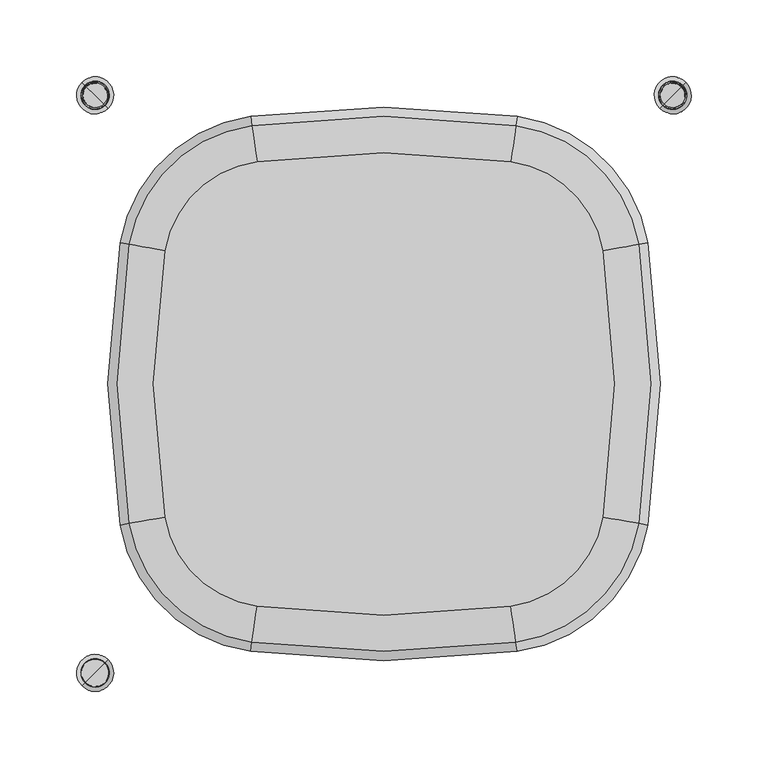
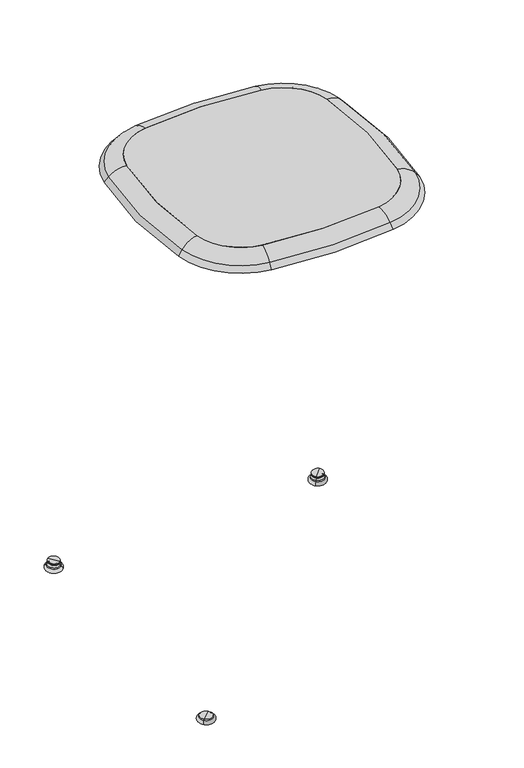
"""IFC4 building model written with IfcOpenShell, lengths in millimetres: furniture geometry."""

from ifc_helpers import new_model, si_unit, point, frame, frame_2d, origin, place, context, project, spatial, polyline, circle_curve, ellipse_curve, trimmed, segment, composite_curve, outline, extrude, source, transform, mapped, element, save
from ifc_brep_helpers import plane_surface, revolved_surface, advanced_brep


def furniture_c217ca91(model_context):
    return source(origin(), model_context, "Body", "SolidModel", [
        extrude(outline(composite_curve([segment(trimmed(circle_curve(frame_2d((353.3275565, -0.0435039)), 503.5652092), [point((-142.6953317, -86.8721532))], [point((-142.6771399, 86.8890047))], False, "CARTESIAN"), True, "CONTINUOUS"), segment(trimmed(circle_curve(frame_2d((-72.7600594, 74.634953)), 70.9828144), [point((-142.6771399, 86.8890047))], [point((-82.7047195, 144.9176939))], False, "CARTESIAN"), True, "CONTINUOUS"), segment(trimmed(circle_curve(frame_2d((0.0, -439.5883921)), 590.3282436), [point((-82.7047195, 144.9176939))], [point((82.7047195, 144.9176939))], False, "CARTESIAN"), True, "CONTINUOUS"), segment(trimmed(circle_curve(frame_2d((72.7600594, 74.634953)), 70.9828144), [point((82.7047195, 144.9176939))], [point((142.6771399, 86.8890047))], False, "CARTESIAN"), True, "CONTINUOUS"), segment(trimmed(circle_curve(frame_2d((-353.3275565, -0.0435039)), 503.5652092), [point((142.6771399, 86.8890047))], [point((142.6953317, -86.8721532))], False, "CARTESIAN"), True, "CONTINUOUS"), segment(trimmed(circle_curve(frame_2d((72.7756868, -74.6327416)), 70.9828144), [point((142.6953317, -86.8721532))], [point((82.7224829, -144.9151802))], False, "CARTESIAN"), True, "CONTINUOUS"), segment(trimmed(circle_curve(frame_2d((0.0, 439.5883921)), 590.3282436), [point((82.7224829, -144.9151802))], [point((-82.7224829, -144.9151802))], False, "CARTESIAN"), True, "CONTINUOUS"), segment(trimmed(circle_curve(frame_2d((-72.7756868, -74.6327416)), 70.9828144), [point((-82.7224829, -144.9151802))], [point((-142.6953317, -86.8721532))], False, "CARTESIAN"), True, "CONTINUOUS")], self_intersect=False)), frame((0.0, 0.0, 647.1154427), z_axis=(0.0, 0.0, 1.0), x_axis=(1.0, 0.0, 0.0)), (0.0, 0.0, 1.0), 5.8841883),
        advanced_brep(
        [(85.4325357, -164.0639719, 638.8734136), (161.7452784, -90.2068404, 638.8734136), (167.1707246, -91.156563, 631.5582527), (86.2043618, -169.5175693, 631.5582527), (83.1171785, -147.7040352, 647.1154427), (145.4697907, -87.3578214, 647.1154427), (82.7224829, -144.9151802, 652.999631), (142.6953317, -86.8721532, 652.999631), (142.6953317, -86.8721532, 647.1154427), (82.7224829, -144.9151802, 647.1154427), (86.0421482, -168.3713942, 642.0930748), (166.0304661, -90.9569611, 642.0930748), (86.8928479, -174.3822992, 634.9997578), (172.0103431, -92.0037367, 634.9997578), (-85.4325357, -164.0639719, 638.8734136), (-86.2043618, -169.5175693, 631.5582527), (-83.1171785, -147.7040352, 647.1154427), (-82.7224829, -144.9151802, 652.999631), (-82.7224829, -144.9151802, 647.1154427), (-86.0421482, -168.3713942, 642.0930748), (-86.8928479, -174.3822992, 634.9997578), (-161.7452784, -90.2068404, 638.8734136), (-167.1707246, -91.156563, 631.5582527), (-145.4697907, -87.3578214, 647.1154427), (-142.6953317, -86.8721532, 652.999631), (-142.6953317, -86.8721532, 647.1154427), (-166.0304661, -90.9569611, 642.0930748), (-172.0103431, -92.0037367, 634.9997578), (-161.726388, 90.2276806, 638.8734136), (-167.1516353, 91.1785393, 631.5582527), (-145.4514972, 87.3752538, 647.1154427), (-142.6771399, 86.8890047, 652.999631), (-142.6771399, 86.8890047, 647.1154427), (-166.0114185, 90.9786986, 642.0930748), (-171.9910763, 92.0267263, 634.9997578), (-85.4141905, 164.0665679, 638.8734136), (-86.1858508, 169.5201888, 631.5582527), (-83.0993304, 147.7065609, 647.1154427), (-82.7047195, 144.9176939, 652.999631), (-82.7047195, 144.9176939, 647.1154427), (-86.023672, 168.3740088, 642.0930748), (-86.874189, 174.3849396, 634.9997578), (85.4141905, 164.0665679, 638.8734136), (86.1858508, 169.5201888, 631.5582527), (83.0993304, 147.7065609, 647.1154427), (82.7047195, 144.9176939, 652.999631), (82.7047195, 144.9176939, 647.1154427), (86.023672, 168.3740088, 642.0930748), (86.874189, 174.3849396, 634.9997578), (161.726388, 90.2276806, 638.8734136), (167.1516353, 91.1785393, 631.5582527), (145.4514972, 87.3752538, 647.1154427), (142.6771399, 86.8890047, 652.999631), (142.6771399, 86.8890047, 647.1154427), (166.0114185, 90.9786986, 642.0930748), (171.9910763, 92.0267263, 634.9997578)],
        [
            (0, 1, circle_curve(frame((72.7756868, -74.6327416, 638.8734136), z_axis=(0.0, 0.0, 1.0), x_axis=(0.985022156183748, -0.17242781628008863, 0.0)), 90.3224268)),
            (1, 2),
            (2, 3, circle_curve(frame((72.7756868, -74.6327416, 631.5582527), z_axis=(0.0, 0.0, -1.0), x_axis=(0.985022156183748, -0.17242781628008863, 0.0)), 95.8303701)),
            (3, 0),
            (4, 5, circle_curve(frame((72.7756868, -74.6327416, 647.1154427), z_axis=(0.0, 0.0, 1.0), x_axis=(0.985022156183748, -0.17242781628008863, 0.0)), 73.7994607)),
            (5, 1, circle_curve(frame((145.4697907, -87.3578214, 626.4324622), z_axis=(0.17242781628008855, 0.985022156183748, 0.0), x_axis=(0.985022156183748, -0.17242781628008855, 0.0)), 20.6829804)),
            (0, 4, circle_curve(frame((83.1171785, -147.7040352, 626.4324622), z_axis=(-0.9901331651155545, -0.14012963761550995, 0.0), x_axis=(0.14012963761550995, -0.9901331651155545, 0.0)), 20.6829804)),
            (6, 7, circle_curve(frame((72.7756868, -74.6327416, 652.999631), z_axis=(0.0, 0.0, 1.0), x_axis=(0.985022156183748, -0.17242781628008863, 0.0)), 70.9828144)),
            (7, 8),
            (8, 9, circle_curve(frame((72.7756868, -74.6327416, 647.1154427), z_axis=(0.0, 0.0, -1.0), x_axis=(0.985022156183748, -0.17242781628008863, 0.0)), 70.9828144)),
            (9, 6),
            (10, 11, circle_curve(frame((72.7756868, -74.6327416, 642.0930748), z_axis=(0.0, 0.0, 1.0), x_axis=(0.985022156183748, -0.17242781628008863, 0.0)), 94.6727733)),
            (11, 7, circle_curve(frame((142.6953317, -86.8721532, 621.8180595), z_axis=(-0.17242781628008855, -0.985022156183748, 0.0), x_axis=(0.985022156183748, -0.17242781628008855, 0.0)), 31.1815715)),
            (6, 10, circle_curve(frame((82.7224829, -144.9151802, 621.8180595), z_axis=(0.9901331651155545, 0.14012963761551017, 0.0), x_axis=(0.14012963761551017, -0.9901331651155545, 0.0)), 31.1815715)),
            (12, 13, circle_curve(frame((72.7756868, -74.6327416, 634.9997578), z_axis=(0.0, 0.0, 1.0), x_axis=(0.985022156183748, -0.17242781628008863, 0.0)), 100.7435779)),
            (13, 11),
            (10, 12),
            (2, 13),
            (12, 3),
            (14, 0, circle_curve(frame((0.0, 439.5883921, 638.8734136), z_axis=(0.0, 0.0, 1.0), x_axis=(0.1401296376155091, -0.9901331651155546, 0.0)), 609.6678561)),
            (3, 15, circle_curve(frame((0.0, 439.5883921, 631.5582527), z_axis=(0.0, 0.0, -1.0), x_axis=(0.1401296376155091, -0.9901331651155546, 0.0)), 615.1757994)),
            (15, 14),
            (16, 4, circle_curve(frame((0.0, 439.5883921, 647.1154427), z_axis=(0.0, 0.0, 1.0), x_axis=(0.1401296376155091, -0.9901331651155546, 0.0)), 593.14489)),
            (14, 16, circle_curve(frame((-83.1171785, -147.7040352, 626.4324622), z_axis=(-0.9901331651155547, 0.14012963761550856, 0.0), x_axis=(-0.14012963761550856, -0.9901331651155547, 0.0)), 20.6829804)),
            (17, 6, circle_curve(frame((0.0, 439.5883921, 652.999631), z_axis=(0.0, 0.0, 1.0), x_axis=(0.1401296376155091, -0.9901331651155546, 0.0)), 590.3282436)),
            (9, 18, circle_curve(frame((0.0, 439.5883921, 647.1154427), z_axis=(0.0, 0.0, -1.0), x_axis=(0.1401296376155091, -0.9901331651155546, 0.0)), 590.3282436)),
            (18, 17),
            (19, 10, circle_curve(frame((0.0, 439.5883921, 642.0930748), z_axis=(0.0, 0.0, 1.0), x_axis=(0.1401296376155091, -0.9901331651155546, 0.0)), 614.0182026)),
            (17, 19, circle_curve(frame((-82.7224829, -144.9151802, 621.8180595), z_axis=(0.9901331651155549, -0.14012963761550712, 0.0), x_axis=(-0.14012963761550712, -0.9901331651155549, 0.0)), 31.1815715)),
            (20, 12, circle_curve(frame((0.0, 439.5883921, 634.9997578), z_axis=(0.0, 0.0, 1.0), x_axis=(0.1401296376155091, -0.9901331651155546, 0.0)), 620.0890072)),
            (19, 20),
            (20, 15),
            (21, 14, circle_curve(frame((-72.7756868, -74.6327416, 638.8734136), z_axis=(0.0, 0.0, 1.0), x_axis=(-0.1401296376155538, -0.9901331651155483, 0.0)), 90.3224268)),
            (15, 22, circle_curve(frame((-72.7756868, -74.6327416, 631.5582527), z_axis=(0.0, 0.0, -1.0), x_axis=(-0.1401296376155538, -0.9901331651155483, 0.0)), 95.8303701)),
            (22, 21),
            (23, 16, circle_curve(frame((-72.7756868, -74.6327416, 647.1154427), z_axis=(0.0, 0.0, 1.0), x_axis=(-0.1401296376155538, -0.9901331651155483, 0.0)), 73.7994607)),
            (21, 23, circle_curve(frame((-145.4697907, -87.3578214, 626.4324622), z_axis=(-0.17242781628013448, 0.98502215618374, 0.0), x_axis=(-0.98502215618374, -0.17242781628013448, 0.0)), 20.6829804)),
            (24, 17, circle_curve(frame((-72.7756868, -74.6327416, 652.999631), z_axis=(0.0, 0.0, 1.0), x_axis=(-0.1401296376155538, -0.9901331651155483, 0.0)), 70.9828144)),
            (18, 25, circle_curve(frame((-72.7756868, -74.6327416, 647.1154427), z_axis=(0.0, 0.0, -1.0), x_axis=(-0.1401296376155538, -0.9901331651155483, 0.0)), 70.9828144)),
            (25, 24),
            (26, 19, circle_curve(frame((-72.7756868, -74.6327416, 642.0930748), z_axis=(0.0, 0.0, 1.0), x_axis=(-0.1401296376155538, -0.9901331651155483, 0.0)), 94.6727733)),
            (24, 26, circle_curve(frame((-142.6953317, -86.8721532, 621.8180595), z_axis=(0.17242781628013448, -0.98502215618374, 0.0), x_axis=(-0.98502215618374, -0.17242781628013448, 0.0)), 31.1815715)),
            (27, 20, circle_curve(frame((-72.7756868, -74.6327416, 634.9997578), z_axis=(0.0, 0.0, 1.0), x_axis=(-0.1401296376155538, -0.9901331651155483, 0.0)), 100.7435779)),
            (26, 27),
            (27, 22),
            (28, 21, circle_curve(frame((353.3275565, -0.0435039, 638.8734136), z_axis=(0.0, 0.0, 1.0), x_axis=(-0.9850221561837403, -0.1724278162801325, 0.0)), 522.9048216)),
            (22, 29, circle_curve(frame((353.3275565, -0.0435039, 631.5582527), z_axis=(0.0, 0.0, -1.0), x_axis=(-0.9850221561837403, -0.1724278162801325, 0.0)), 528.412765)),
            (29, 28),
            (30, 23, circle_curve(frame((353.3275565, -0.0435039, 647.1154427), z_axis=(0.0, 0.0, 1.0), x_axis=(-0.9850221561837403, -0.1724278162801325, 0.0)), 506.3818555)),
            (28, 30, circle_curve(frame((-145.4514972, 87.3752538, 626.4324622), z_axis=(0.1726340640499757, 0.9849860303220492, 0.0), x_axis=(-0.9849860303220492, 0.1726340640499757, 0.0)), 20.6829804)),
            (31, 24, circle_curve(frame((353.3275565, -0.0435039, 652.999631), z_axis=(0.0, 0.0, 1.0), x_axis=(-0.9850221561837403, -0.1724278162801325, 0.0)), 503.5652092)),
            (25, 32, circle_curve(frame((353.3275565, -0.0435039, 647.1154427), z_axis=(0.0, 0.0, -1.0), x_axis=(-0.9850221561837403, -0.1724278162801325, 0.0)), 503.5652092)),
            (32, 31),
            (33, 26, circle_curve(frame((353.3275565, -0.0435039, 642.0930748), z_axis=(0.0, 0.0, 1.0), x_axis=(-0.9850221561837403, -0.1724278162801325, 0.0)), 527.2551681)),
            (31, 33, circle_curve(frame((-142.6771399, 86.8890047, 621.8180595), z_axis=(-0.17263406404997444, -0.9849860303220495, 0.0), x_axis=(-0.9849860303220495, 0.17263406404997444, 0.0)), 31.1815715)),
            (34, 27, circle_curve(frame((353.3275565, -0.0435039, 634.9997578), z_axis=(0.0, 0.0, 1.0), x_axis=(-0.9850221561837403, -0.1724278162801325, 0.0)), 533.3259727)),
            (33, 34),
            (34, 29),
            (35, 28, circle_curve(frame((-72.7600594, 74.634953, 638.8734136), z_axis=(0.0, 0.0, 1.0), x_axis=(-0.9849860303220431, 0.17263406405001044, 0.0)), 90.3224268)),
            (29, 36, circle_curve(frame((-72.7600594, 74.634953, 631.5582527), z_axis=(0.0, 0.0, -1.0), x_axis=(-0.9849860303220431, 0.17263406405001044, 0.0)), 95.8303701)),
            (36, 35),
            (37, 30, circle_curve(frame((-72.7600594, 74.634953, 647.1154427), z_axis=(0.0, 0.0, 1.0), x_axis=(-0.9849860303220431, 0.17263406405001044, 0.0)), 73.7994607)),
            (35, 37, circle_curve(frame((-83.0993304, 147.7065609, 626.4324622), z_axis=(0.9901374232519373, 0.140099547022872, 0.0), x_axis=(-0.140099547022872, 0.9901374232519373, 0.0)), 20.6829804)),
            (38, 31, circle_curve(frame((-72.7600594, 74.634953, 652.999631), z_axis=(0.0, 0.0, 1.0), x_axis=(-0.9849860303220431, 0.17263406405001044, 0.0)), 70.9828144)),
            (32, 39, circle_curve(frame((-72.7600594, 74.634953, 647.1154427), z_axis=(0.0, 0.0, -1.0), x_axis=(-0.9849860303220431, 0.17263406405001044, 0.0)), 70.9828144)),
            (39, 38),
            (40, 33, circle_curve(frame((-72.7600594, 74.634953, 642.0930748), z_axis=(0.0, 0.0, 1.0), x_axis=(-0.9849860303220431, 0.17263406405001044, 0.0)), 94.6727733)),
            (38, 40, circle_curve(frame((-82.7047195, 144.9176939, 621.8180595), z_axis=(-0.9901374232519361, -0.14009954702288083, 0.0), x_axis=(-0.14009954702288083, 0.9901374232519361, 0.0)), 31.1815715)),
            (41, 34, circle_curve(frame((-72.7600594, 74.634953, 634.9997578), z_axis=(0.0, 0.0, 1.0), x_axis=(-0.9849860303220431, 0.17263406405001044, 0.0)), 100.7435779)),
            (40, 41),
            (41, 36),
            (42, 35, circle_curve(frame((0.0, -439.5883921, 638.8734136), z_axis=(0.0, 0.0, 1.0), x_axis=(-0.1400995470228407, 0.9901374232519418, 0.0)), 609.6678561)),
            (36, 43, circle_curve(frame((0.0, -439.5883921, 631.5582527), z_axis=(0.0, 0.0, -1.0), x_axis=(-0.1400995470228407, 0.9901374232519418, 0.0)), 615.1757994)),
            (43, 42),
            (44, 37, circle_curve(frame((0.0, -439.5883921, 647.1154427), z_axis=(0.0, 0.0, 1.0), x_axis=(-0.1400995470228407, 0.9901374232519418, 0.0)), 593.14489)),
            (42, 44, circle_curve(frame((83.0993304, 147.7065609, 626.4324622), z_axis=(0.9901374232519425, -0.14009954702283575, 0.0), x_axis=(0.14009954702283575, 0.9901374232519425, 0.0)), 20.6829804)),
            (45, 38, circle_curve(frame((0.0, -439.5883921, 652.999631), z_axis=(0.0, 0.0, 1.0), x_axis=(-0.1400995470228407, 0.9901374232519418, 0.0)), 590.3282436)),
            (39, 46, circle_curve(frame((0.0, -439.5883921, 647.1154427), z_axis=(0.0, 0.0, -1.0), x_axis=(-0.1400995470228407, 0.9901374232519418, 0.0)), 590.3282436)),
            (46, 45),
            (47, 40, circle_curve(frame((0.0, -439.5883921, 642.0930748), z_axis=(0.0, 0.0, 1.0), x_axis=(-0.1400995470228407, 0.9901374232519418, 0.0)), 614.0182026)),
            (45, 47, circle_curve(frame((82.7047195, 144.9176939, 621.8180595), z_axis=(-0.9901374232519422, 0.14009954702283728, 0.0), x_axis=(0.14009954702283728, 0.9901374232519422, 0.0)), 31.1815715)),
            (48, 41, circle_curve(frame((0.0, -439.5883921, 634.9997578), z_axis=(0.0, 0.0, 1.0), x_axis=(-0.1400995470228407, 0.9901374232519418, 0.0)), 620.0890072)),
            (47, 48),
            (48, 43),
            (49, 42, circle_curve(frame((72.7600594, 74.634953, 638.8734136), z_axis=(0.0, 0.0, 1.0), x_axis=(0.14009954702279018, 0.9901374232519489, 0.0)), 90.3224268)),
            (43, 50, circle_curve(frame((72.7600594, 74.634953, 631.5582527), z_axis=(0.0, 0.0, -1.0), x_axis=(0.14009954702279018, 0.9901374232519489, 0.0)), 95.8303701)),
            (50, 49),
            (51, 44, circle_curve(frame((72.7600594, 74.634953, 647.1154427), z_axis=(0.0, 0.0, 1.0), x_axis=(0.14009954702279018, 0.9901374232519489, 0.0)), 73.7994607)),
            (49, 51, circle_curve(frame((145.4514972, 87.3752538, 626.4324622), z_axis=(0.17263406405000226, -0.9849860303220446, 0.0), x_axis=(0.9849860303220446, 0.17263406405000226, 0.0)), 20.6829804)),
            (52, 45, circle_curve(frame((72.7600594, 74.634953, 652.999631), z_axis=(0.0, 0.0, 1.0), x_axis=(0.14009954702279018, 0.9901374232519489, 0.0)), 70.9828144)),
            (46, 53, circle_curve(frame((72.7600594, 74.634953, 647.1154427), z_axis=(0.0, 0.0, -1.0), x_axis=(0.14009954702279018, 0.9901374232519489, 0.0)), 70.9828144)),
            (53, 52),
            (54, 47, circle_curve(frame((72.7600594, 74.634953, 642.0930748), z_axis=(0.0, 0.0, 1.0), x_axis=(0.14009954702279018, 0.9901374232519489, 0.0)), 94.6727733)),
            (52, 54, circle_curve(frame((142.6771399, 86.8890047, 621.8180595), z_axis=(-0.1726340640500103, 0.9849860303220431, 0.0), x_axis=(0.9849860303220431, 0.1726340640500103, 0.0)), 31.1815715)),
            (55, 48, circle_curve(frame((72.7600594, 74.634953, 634.9997578), z_axis=(0.0, 0.0, 1.0), x_axis=(0.14009954702279018, 0.9901374232519489, 0.0)), 100.7435779)),
            (54, 55),
            (55, 50),
            (1, 49, circle_curve(frame((-353.3275565, -0.0435039, 638.8734136), z_axis=(0.0, 0.0, 1.0), x_axis=(0.9849860303220497, 0.17263406404997306, 0.0)), 522.9048216)),
            (50, 2, circle_curve(frame((-353.3275565, -0.0435039, 631.5582527), z_axis=(0.0, 0.0, -1.0), x_axis=(0.9849860303220497, 0.17263406404997306, 0.0)), 528.412765)),
            (5, 51, circle_curve(frame((-353.3275565, -0.0435039, 647.1154427), z_axis=(0.0, 0.0, 1.0), x_axis=(0.9849860303220497, 0.17263406404997306, 0.0)), 506.3818555)),
            (8, 53, circle_curve(frame((-353.3275565, -0.0435039, 647.1154427), z_axis=(0.0, 0.0, 1.0), x_axis=(0.9849860303220497, 0.17263406404997306, 0.0)), 503.5652092)),
            (7, 52, circle_curve(frame((-353.3275565, -0.0435039, 652.999631), z_axis=(0.0, 0.0, 1.0), x_axis=(0.9849860303220497, 0.17263406404997306, 0.0)), 503.5652092)),
            (11, 54, circle_curve(frame((-353.3275565, -0.0435039, 642.0930748), z_axis=(0.0, 0.0, 1.0), x_axis=(0.9849860303220497, 0.17263406404997306, 0.0)), 527.2551681)),
            (13, 55, circle_curve(frame((-353.3275565, -0.0435039, 634.9997578), z_axis=(0.0, 0.0, 1.0), x_axis=(0.9849860303220497, 0.17263406404997306, 0.0)), 533.3259727)),
        ],
        [
            revolved_surface(polyline([(167.1707246, -91.156563, 631.5582527), (161.7452784, -90.2068404, 638.8734136)]), (72.7756868, -74.6327416, 634.9997578), (0.0, 0.0, -1.0)),
            revolved_surface(trimmed(ellipse_curve(frame((145.4697907, -87.3578214, 626.4324622), z_axis=(-0.17242781628008855, -0.985022156183748, 0.0), x_axis=(0.985022156183748, -0.17242781628008855, 0.0)), 20.6829804, 20.6829804), [point((161.7452784, -90.2068404, 638.8734136))], [point((145.4697907, -87.3578214, 647.1154427))], True, "CARTESIAN"), (72.7756868, -74.6327416, 634.9997578), (0.0, 0.0, -1.0)),
            revolved_surface(polyline([(142.69533169227878, -86.87215328040683, 647.1154427), (142.69533169227878, -86.87215328040683, 652.999631)]), (72.7756868, -74.6327416, 634.9997578), (0.0, 0.0, -1.0)),
            revolved_surface(trimmed(ellipse_curve(frame((142.6953317, -86.8721532, 621.8180595), z_axis=(0.17242781628008855, 0.985022156183748, 0.0), x_axis=(0.985022156183748, -0.17242781628008855, 0.0)), 31.1815715, 31.1815715), [point((142.6953317, -86.8721532, 652.999631))], [point((166.0304661, -90.9569611, 642.0930748))], True, "CARTESIAN"), (72.7756868, -74.6327416, 634.9997578), (0.0, 0.0, -1.0)),
            revolved_surface(polyline([(166.0304661, -90.9569611, 642.0930748), (172.0103431, -92.0037367, 634.9997578)]), (72.7756868, -74.6327416, 634.9997578), (0.0, 0.0, -1.0)),
            revolved_surface(polyline([(172.0103431, -92.0037367, 634.9997578), (167.1707246, -91.156563, 631.5582527)]), (72.7756868, -74.6327416, 634.9997578), (0.0, 0.0, -1.0)),
            revolved_surface(polyline([(86.2043618, -169.5175693, 631.5582527), (85.4325357, -164.0639719, 638.8734136)]), (0.0, 439.5883921, 634.9997578), (0.0, 0.0, -1.0)),
            revolved_surface(trimmed(ellipse_curve(frame((83.1171785, -147.7040352, 626.4324622), z_axis=(-0.9901331651155546, -0.14012963761550912, 0.0), x_axis=(0.14012963761550912, -0.9901331651155546, 0.0)), 20.6829804, 20.6829804), [point((85.4325357, -164.0639719, 638.8734136))], [point((83.1171785, -147.7040352, 647.1154427))], True, "CARTESIAN"), (0.0, 439.5883921, 634.9997578), (0.0, 0.0, -1.0)),
            revolved_surface(polyline([(82.72248284986797, -144.91518019277402, 647.1154427), (82.72248284986797, -144.91518019277402, 652.999631)]), (0.0, 439.5883921, 634.9997578), (0.0, 0.0, -1.0)),
            revolved_surface(trimmed(ellipse_curve(frame((82.7224829, -144.9151802, 621.8180595), z_axis=(0.9901331651155546, 0.14012963761550912, 0.0), x_axis=(0.14012963761550912, -0.9901331651155546, 0.0)), 31.1815715, 31.1815715), [point((82.7224829, -144.9151802, 652.999631))], [point((86.0421482, -168.3713942, 642.0930748))], True, "CARTESIAN"), (0.0, 439.5883921, 634.9997578), (0.0, 0.0, -1.0)),
            revolved_surface(polyline([(86.0421482, -168.3713942, 642.0930748), (86.8928479, -174.3822992, 634.9997578)]), (0.0, 439.5883921, 634.9997578), (0.0, 0.0, -1.0)),
            revolved_surface(polyline([(86.8928479, -174.3822992, 634.9997578), (86.2043618, -169.5175693, 631.5582527)]), (0.0, 439.5883921, 634.9997578), (0.0, 0.0, -1.0)),
            revolved_surface(polyline([(-86.2043618, -169.5175693, 631.5582527), (-85.4325357, -164.0639719, 638.8734136)]), (-72.7756868, -74.6327416, 634.9997578), (0.0, 0.0, -1.0)),
            revolved_surface(trimmed(ellipse_curve(frame((-83.1171785, -147.7040352, 626.4324622), z_axis=(-0.9901331651155483, 0.14012963761555372, 0.0), x_axis=(-0.14012963761555372, -0.9901331651155483, 0.0)), 20.6829804, 20.6829804), [point((-85.4325357, -164.0639719, 638.8734136))], [point((-83.1171785, -147.7040352, 647.1154427))], True, "CARTESIAN"), (-72.7756868, -74.6327416, 634.9997578), (0.0, 0.0, -1.0)),
            revolved_surface(polyline([(-82.72248285880411, -144.91518029068152, 647.1154427), (-82.72248285880411, -144.91518029068152, 652.999631)]), (-72.7756868, -74.6327416, 634.9997578), (0.0, 0.0, -1.0)),
            revolved_surface(trimmed(ellipse_curve(frame((-82.7224829, -144.9151802, 621.8180595), z_axis=(0.9901331651155483, -0.14012963761555372, 0.0), x_axis=(-0.14012963761555372, -0.9901331651155483, 0.0)), 31.1815715, 31.1815715), [point((-82.7224829, -144.9151802, 652.999631))], [point((-86.0421482, -168.3713942, 642.0930748))], True, "CARTESIAN"), (-72.7756868, -74.6327416, 634.9997578), (0.0, 0.0, -1.0)),
            revolved_surface(polyline([(-86.0421482, -168.3713942, 642.0930748), (-86.8928479, -174.3822992, 634.9997578)]), (-72.7756868, -74.6327416, 634.9997578), (0.0, 0.0, -1.0)),
            revolved_surface(polyline([(-86.8928479, -174.3822992, 634.9997578), (-86.2043618, -169.5175693, 631.5582527)]), (-72.7756868, -74.6327416, 634.9997578), (0.0, 0.0, -1.0)),
            revolved_surface(polyline([(-167.1707246, -91.156563, 631.5582527), (-161.7452784, -90.2068404, 638.8734136)]), (353.3275565, -0.0435039, 634.9997578), (0.0, 0.0, -1.0)),
            revolved_surface(trimmed(ellipse_curve(frame((-145.4697907, -87.3578214, 626.4324622), z_axis=(-0.1724278162801326, 0.9850221561837403, 0.0), x_axis=(-0.9850221561837403, -0.1724278162801326, 0.0)), 20.6829804, 20.6829804), [point((-161.7452784, -90.2068404, 638.8734136))], [point((-145.4697907, -87.3578214, 647.1154427))], True, "CARTESIAN"), (353.3275565, -0.0435039, 634.9997578), (0.0, 0.0, -1.0)),
            revolved_surface(polyline([(-142.6953316453003, -86.8721532770041, 647.1154427), (-142.6953316453003, -86.8721532770041, 652.999631)]), (353.3275565, -0.0435039, 634.9997578), (0.0, 0.0, -1.0)),
            revolved_surface(trimmed(ellipse_curve(frame((-142.6953317, -86.8721532, 621.8180595), z_axis=(0.1724278162801326, -0.9850221561837403, 0.0), x_axis=(-0.9850221561837403, -0.1724278162801326, 0.0)), 31.1815715, 31.1815715), [point((-142.6953317, -86.8721532, 652.999631))], [point((-166.0304661, -90.9569611, 642.0930748))], True, "CARTESIAN"), (353.3275565, -0.0435039, 634.9997578), (0.0, 0.0, -1.0)),
            revolved_surface(polyline([(-166.0304661, -90.9569611, 642.0930748), (-172.0103431, -92.0037367, 634.9997578)]), (353.3275565, -0.0435039, 634.9997578), (0.0, 0.0, -1.0)),
            revolved_surface(polyline([(-172.0103431, -92.0037367, 634.9997578), (-167.1707246, -91.156563, 631.5582527)]), (353.3275565, -0.0435039, 634.9997578), (0.0, 0.0, -1.0)),
            revolved_surface(polyline([(-167.1516353, 91.1785393, 631.5582527), (-161.726388, 90.2276806, 638.8734136)]), (-72.7600594, 74.634953, 634.9997578), (0.0, 0.0, -1.0)),
            revolved_surface(trimmed(ellipse_curve(frame((-145.4514972, 87.3752538, 626.4324622), z_axis=(0.17263406405001036, 0.9849860303220431, 0.0), x_axis=(-0.9849860303220431, 0.17263406405001036, 0.0)), 20.6829804, 20.6829804), [point((-161.726388, 90.2276806, 638.8734136))], [point((-145.4514972, 87.3752538, 647.1154427))], True, "CARTESIAN"), (-72.7600594, 74.634953, 634.9997578), (0.0, 0.0, -1.0)),
            revolved_surface(polyline([(-142.67713997694236, 86.8890047275796, 647.1154427), (-142.67713997694236, 86.8890047275796, 652.999631)]), (-72.7600594, 74.634953, 634.9997578), (0.0, 0.0, -1.0)),
            revolved_surface(trimmed(ellipse_curve(frame((-142.6771399, 86.8890047, 621.8180595), z_axis=(-0.17263406405001036, -0.9849860303220431, 0.0), x_axis=(-0.9849860303220431, 0.17263406405001036, 0.0)), 31.1815715, 31.1815715), [point((-142.6771399, 86.8890047, 652.999631))], [point((-166.0114185, 90.9786986, 642.0930748))], True, "CARTESIAN"), (-72.7600594, 74.634953, 634.9997578), (0.0, 0.0, -1.0)),
            revolved_surface(polyline([(-166.0114185, 90.9786986, 642.0930748), (-171.9910763, 92.0267263, 634.9997578)]), (-72.7600594, 74.634953, 634.9997578), (0.0, 0.0, -1.0)),
            revolved_surface(polyline([(-171.9910763, 92.0267263, 634.9997578), (-167.1516353, 91.1785393, 631.5582527)]), (-72.7600594, 74.634953, 634.9997578), (0.0, 0.0, -1.0)),
            revolved_surface(polyline([(-86.1858508, 169.5201888, 631.5582527), (-85.4141905, 164.0665679, 638.8734136)]), (0.0, -439.5883921, 634.9997578), (0.0, 0.0, -1.0)),
            revolved_surface(trimmed(ellipse_curve(frame((-83.0993304, 147.7065609, 626.4324622), z_axis=(0.9901374232519418, 0.14009954702284072, 0.0), x_axis=(-0.14009954702284072, 0.9901374232519418, 0.0)), 20.6829804, 20.6829804), [point((-85.4141905, 164.0665679, 638.8734136))], [point((-83.0993304, 147.7065609, 647.1154427))], True, "CARTESIAN"), (0.0, -439.5883921, 634.9997578), (0.0, 0.0, -1.0)),
            revolved_surface(polyline([(-82.70471952314915, 144.91769389094856, 647.1154427), (-82.70471952314915, 144.91769389094856, 652.999631)]), (0.0, -439.5883921, 634.9997578), (0.0, 0.0, -1.0)),
            revolved_surface(trimmed(ellipse_curve(frame((-82.7047195, 144.9176939, 621.8180595), z_axis=(-0.9901374232519418, -0.14009954702284072, 0.0), x_axis=(-0.14009954702284072, 0.9901374232519418, 0.0)), 31.1815715, 31.1815715), [point((-82.7047195, 144.9176939, 652.999631))], [point((-86.023672, 168.3740088, 642.0930748))], True, "CARTESIAN"), (0.0, -439.5883921, 634.9997578), (0.0, 0.0, -1.0)),
            revolved_surface(polyline([(-86.023672, 168.3740088, 642.0930748), (-86.874189, 174.3849396, 634.9997578)]), (0.0, -439.5883921, 634.9997578), (0.0, 0.0, -1.0)),
            revolved_surface(polyline([(-86.874189, 174.3849396, 634.9997578), (-86.1858508, 169.5201888, 631.5582527)]), (0.0, -439.5883921, 634.9997578), (0.0, 0.0, -1.0)),
            revolved_surface(polyline([(86.1858508, 169.5201888, 631.5582527), (85.4141905, 164.0665679, 638.8734136)]), (72.7600594, 74.634953, 634.9997578), (0.0, 0.0, -1.0)),
            revolved_surface(trimmed(ellipse_curve(frame((83.0993304, 147.7065609, 626.4324622), z_axis=(0.9901374232519489, -0.1400995470227901, 0.0), x_axis=(0.1400995470227901, 0.9901374232519489, 0.0)), 20.6829804, 20.6829804), [point((85.4141905, 164.0665679, 638.8734136))], [point((83.0993304, 147.7065609, 647.1154427))], True, "CARTESIAN"), (72.7600594, 74.634953, 634.9997578), (0.0, 0.0, -1.0)),
            revolved_surface(polyline([(82.70471954384278, 144.91769394518732, 647.1154427), (82.70471954384278, 144.91769394518732, 652.999631)]), (72.7600594, 74.634953, 634.9997578), (0.0, 0.0, -1.0)),
            revolved_surface(trimmed(ellipse_curve(frame((82.7047195, 144.9176939, 621.8180595), z_axis=(-0.9901374232519489, 0.1400995470227901, 0.0), x_axis=(0.1400995470227901, 0.9901374232519489, 0.0)), 31.1815715, 31.1815715), [point((82.7047195, 144.9176939, 652.999631))], [point((86.023672, 168.3740088, 642.0930748))], True, "CARTESIAN"), (72.7600594, 74.634953, 634.9997578), (0.0, 0.0, -1.0)),
            revolved_surface(polyline([(86.023672, 168.3740088, 642.0930748), (86.874189, 174.3849396, 634.9997578)]), (72.7600594, 74.634953, 634.9997578), (0.0, 0.0, -1.0)),
            revolved_surface(polyline([(86.874189, 174.3849396, 634.9997578), (86.1858508, 169.5201888, 631.5582527)]), (72.7600594, 74.634953, 634.9997578), (0.0, 0.0, -1.0)),
            revolved_surface(polyline([(167.1516353, 91.1785393, 631.5582527), (161.726388, 90.2276806, 638.8734136)]), (-353.3275565, -0.0435039, 634.9997578), (0.0, 0.0, -1.0)),
            revolved_surface(trimmed(ellipse_curve(frame((145.4514972, 87.3752538, 626.4324622), z_axis=(0.17263406404997322, -0.9849860303220497, 0.0), x_axis=(0.9849860303220497, 0.17263406404997322, 0.0)), 20.6829804, 20.6829804), [point((161.726388, 90.2276806, 638.8734136))], [point((145.4514972, 87.3752538, 647.1154427))], True, "CARTESIAN"), (-353.3275565, -0.0435039, 634.9997578), (0.0, 0.0, -1.0)),
            plane_surface(frame((-353.3275565, -0.0435039, 647.1154427), z_axis=(0.0, 0.0, -1.0000000000000002), x_axis=(0.9849860303220498, 0.17263406404997308, 0.0))),
            revolved_surface(polyline([(142.6771399182005, 86.88900467837088, 647.1154427), (142.6771399182005, 86.88900467837088, 652.999631)]), (-353.3275565, -0.0435039, 634.9997578), (0.0, 0.0, -1.0)),
            revolved_surface(trimmed(ellipse_curve(frame((142.6771399, 86.8890047, 621.8180595), z_axis=(-0.17263406404997322, 0.9849860303220497, 0.0), x_axis=(0.9849860303220497, 0.17263406404997322, 0.0)), 31.1815715, 31.1815715), [point((142.6771399, 86.8890047, 652.999631))], [point((166.0114185, 90.9786986, 642.0930748))], True, "CARTESIAN"), (-353.3275565, -0.0435039, 634.9997578), (0.0, 0.0, -1.0)),
            revolved_surface(polyline([(166.0114185, 90.9786986, 642.0930748), (171.9910763, 92.0267263, 634.9997578)]), (-353.3275565, -0.0435039, 634.9997578), (0.0, 0.0, -1.0)),
            revolved_surface(polyline([(171.9910763, 92.0267263, 634.9997578), (167.1516353, 91.1785393, 631.5582527)]), (-353.3275565, -0.0435039, 634.9997578), (0.0, 0.0, -1.0)),
        ],
        [
            (0, [[1, 2, 3, 4]]),
            (1, [[5, 6, -1, 7]]),
            (2, [[8, 9, 10, 11]]),
            (3, [[12, 13, -8, 14]]),
            (4, [[15, 16, -12, 17]]),
            (5, [[-3, 18, -15, 19]]),
            (6, [[20, -4, 21, 22]]),
            (7, [[23, -7, -20, 24]]),
            (8, [[25, -11, 26, 27]]),
            (9, [[28, -14, -25, 29]]),
            (10, [[30, -17, -28, 31]]),
            (11, [[-21, -19, -30, 32]]),
            (12, [[33, -22, 34, 35]]),
            (13, [[36, -24, -33, 37]]),
            (14, [[38, -27, 39, 40]]),
            (15, [[41, -29, -38, 42]]),
            (16, [[43, -31, -41, 44]]),
            (17, [[-34, -32, -43, 45]]),
            (18, [[46, -35, 47, 48]]),
            (19, [[49, -37, -46, 50]]),
            (20, [[51, -40, 52, 53]]),
            (21, [[54, -42, -51, 55]]),
            (22, [[56, -44, -54, 57]]),
            (23, [[-47, -45, -56, 58]]),
            (24, [[59, -48, 60, 61]]),
            (25, [[62, -50, -59, 63]]),
            (26, [[64, -53, 65, 66]]),
            (27, [[67, -55, -64, 68]]),
            (28, [[69, -57, -67, 70]]),
            (29, [[-60, -58, -69, 71]]),
            (30, [[72, -61, 73, 74]]),
            (31, [[75, -63, -72, 76]]),
            (32, [[77, -66, 78, 79]]),
            (33, [[80, -68, -77, 81]]),
            (34, [[82, -70, -80, 83]]),
            (35, [[-73, -71, -82, 84]]),
            (36, [[85, -74, 86, 87]]),
            (37, [[88, -76, -85, 89]]),
            (38, [[90, -79, 91, 92]]),
            (39, [[93, -81, -90, 94]]),
            (40, [[95, -83, -93, 96]]),
            (41, [[-86, -84, -95, 97]]),
            (42, [[98, -87, 99, -2]]),
            (43, [[100, -89, -98, -6]]),
            (44, [[-75, -88, -100, -5, -23, -36, -49, -62], [101, -91, -78, -65, -52, -39, -26, -10]]),
            (45, [[102, -92, -101, -9]]),
            (46, [[103, -94, -102, -13]]),
            (47, [[104, -96, -103, -16]]),
            (48, [[-99, -97, -104, -18]]),
        ],
    ),
        advanced_brep(
        [(-181.7333944, 181.7333944, 5.5096764), (-194.8341476, 194.8341476, 5.5096764), (-194.6483237, 194.6483237, 7.0000593), (-181.9192183, 181.9192183, 7.0000593), (-181.7333944, 181.7333944, 0.0), (-194.8341476, 194.8341476, 0.0), (-188.283771, 188.283771, 0.0), (-188.283771, 188.283771, 7.0000593)],
        [
            (0, 1, circle_curve(frame((-188.283771, 188.283771, 5.5096764), z_axis=(0.0, 0.0, 1.0), x_axis=(-0.7071067811865459, 0.7071067811865491, 0.0)), 9.2636315)),
            (1, 2, circle_curve(frame((-198.5925934, 198.5925934, 7.2152579), z_axis=(-0.7071067811865491, -0.7071067811865459, 0.0), x_axis=(-0.7071067811865459, 0.7071067811865491, 0.0)), 5.5821893)),
            (2, 3, circle_curve(frame((-188.283771, 188.283771, 7.0000593), z_axis=(0.0, 0.0, -1.0), x_axis=(-0.7071067811865459, 0.7071067811865491, 0.0)), 9.0008368)),
            (3, 0, circle_curve(frame((-177.9749486, 177.9749486, 7.2152579), z_axis=(-0.7071067811865468, -0.7071067811865482, 0.0), x_axis=(0.7071067811865482, -0.7071067811865468, 0.0)), 5.5821893)),
            (1, 0, circle_curve(frame((-188.283771, 188.283771, 5.5096764), z_axis=(0.0, 0.0, 1.0), x_axis=(-0.7071067811865459, 0.7071067811865491, 0.0)), 9.2636315)),
            (3, 2, circle_curve(frame((-188.283771, 188.283771, 7.0000593), z_axis=(0.0, 0.0, -1.0), x_axis=(-0.7071067811865459, 0.7071067811865491, 0.0)), 9.0008368)),
            (4, 5, circle_curve(frame((-188.283771, 188.283771, 0.0), z_axis=(0.0, 0.0, 1.0), x_axis=(-0.7071067811865459, 0.7071067811865491, 0.0)), 9.2636315)),
            (5, 1, circle_curve(frame((-194.8341476, 194.8341476, 2.7548382), z_axis=(0.7071067811865491, 0.7071067811865459, 0.0), x_axis=(-0.7071067811865459, 0.7071067811865491, 0.0)), 2.7548382)),
            (0, 4, circle_curve(frame((-181.7333944, 181.7333944, 2.7548382), z_axis=(0.7071067811865468, 0.7071067811865482, 0.0), x_axis=(0.7071067811865482, -0.7071067811865468, 0.0)), 2.7548382)),
            (5, 4, circle_curve(frame((-188.283771, 188.283771, 0.0), z_axis=(0.0, 0.0, 1.0), x_axis=(-0.7071067811865459, 0.7071067811865491, 0.0)), 9.2636315)),
            (6, 5),
            (4, 6),
            (2, 7),
            (7, 3),
        ],
        [
            revolved_surface(trimmed(ellipse_curve(frame((-198.5925934, 198.5925934, 7.2152579), z_axis=(0.7071067811865491, 0.7071067811865459, 0.0), x_axis=(-0.7071067811865459, 0.7071067811865491, 0.0)), 5.5821893, 5.5821893), [point((-194.6483237, 194.6483237, 7.0000593))], [point((-194.8341476, 194.8341476, 5.5096764))], True, "CARTESIAN"), (-188.283771, 188.283771, 7.0000593), (0.0, 0.0, -1.0)),
            revolved_surface(trimmed(ellipse_curve(frame((-194.8341476, 194.8341476, 2.7548382), z_axis=(-0.7071067811865491, -0.7071067811865459, 0.0), x_axis=(-0.7071067811865459, 0.7071067811865491, 0.0)), 2.7548382, 2.7548382), [point((-194.8341476, 194.8341476, 5.5096764))], [point((-194.8341476, 194.8341476, 0.0))], True, "CARTESIAN"), (-188.283771, 188.283771, 7.0000593), (0.0, 0.0, -1.0)),
            plane_surface(frame((-188.283771, 188.283771, 0.0), z_axis=(0.0, 0.0, -1.0), x_axis=(-0.7071067811865459, 0.7071067811865491, 0.0))),
            plane_surface(frame((-188.283771, 188.283771, 7.0000593), z_axis=(0.0, 0.0, 1.0), x_axis=(-0.7071067811865459, 0.7071067811865491, 0.0))),
        ],
        [
            (0, [[1, 2, 3, 4]]),
            (0, [[5, -4, 6, -2]]),
            (1, [[7, 8, -1, 9]]),
            (1, [[10, -9, -5, -8]]),
            (2, [[11, -7, 12]]),
            (2, [[-12, -10, -11]]),
            (3, [[-3, 13, 14]]),
            (3, [[-6, -14, -13]]),
        ],
    ),
        advanced_brep(
        [(-182.6459771, 182.6459771, 12.3024835), (-193.9166972, 193.9166972, 13.6969833), (-188.2813372, 188.2813372, 12.9997334), (-182.7623958, 182.7623958, 11.0621139), (-193.9543495, 193.9543495, 12.4468681), (-182.8001218, 182.8001218, 9.81201), (-194.0706941, 194.0706941, 11.2064914), (-183.6447269, 183.6447269, 9.916511), (-193.2260889, 193.2260889, 11.1019904), (-188.7105644, 188.7105644, 6.0614743)],
        [
            (0, 1, circle_curve(frame((-188.2813372, 188.2813372, 12.9997334), z_axis=(0.06162841671622601, -0.06162841671622601, 0.9961946980917448), x_axis=(-0.7044160264027566, 0.7044160264027597, 0.08715574274766758)), 8.0000452)),
            (1, 2),
            (2, 0),
            (1, 0, circle_curve(frame((-188.2813372, 188.2813372, 12.9997334), z_axis=(0.06162841671622601, -0.06162841671622601, 0.9961946980917448), x_axis=(-0.7044160264027566, 0.7044160264027597, 0.08715574274766758)), 8.0000452)),
            (3, 4, circle_curve(frame((-188.3583726, 188.3583726, 11.754491), z_axis=(0.06162841671622601, -0.06162841671622601, 0.9961946980917448), x_axis=(-0.7044160264027566, 0.7044160264027597, 0.08715574274766758)), 7.9441362)),
            (4, 1),
            (0, 3),
            (4, 3, circle_curve(frame((-188.3583726, 188.3583726, 11.754491), z_axis=(0.06162841671622601, -0.06162841671622601, 0.9961946980917448), x_axis=(-0.7044160264027566, 0.7044160264027597, 0.08715574274766758)), 7.9441362)),
            (5, 6, circle_curve(frame((-188.4354079, 188.4354079, 10.5092507), z_axis=(0.06162841671622601, -0.06162841671622601, 0.9961946980917448), x_axis=(-0.7044160264027566, 0.7044160264027597, 0.08715574274766758)), 7.9999403)),
            (6, 4),
            (3, 5),
            (6, 5, circle_curve(frame((-188.4354079, 188.4354079, 10.5092507), z_axis=(0.06162841671622601, -0.06162841671622601, 0.9961946980917448), x_axis=(-0.7044160264027566, 0.7044160264027597, 0.08715574274766758)), 7.9999403)),
            (7, 8, circle_curve(frame((-188.4354079, 188.4354079, 10.5092507), z_axis=(0.06162841671622601, -0.06162841671622601, 0.9961946980917448), x_axis=(-0.7044160264027566, 0.7044160264027597, 0.08715574274766758)), 6.8009256)),
            (8, 6),
            (5, 7),
            (8, 7, circle_curve(frame((-188.4354079, 188.4354079, 10.5092507), z_axis=(0.06162841671622601, -0.06162841671622601, 0.9961946980917448), x_axis=(-0.7044160264027566, 0.7044160264027597, 0.08715574274766758)), 6.8009256)),
            (9, 8, circle_curve(frame((-188.1972766, 188.1972766, 13.5465988), z_axis=(0.707106781186549, 0.707106781186546, 0.0), x_axis=(-0.7071067811865461, 0.707106781186549, 0.0)), 7.5202405)),
            (7, 9, circle_curve(frame((-188.2969722, 188.2969722, 13.5589339), z_axis=(0.7071067811865467, 0.7071067811865483, 0.0), x_axis=(0.6963642403200175, -0.6963642403200158, -0.17364817766694896)), 7.5202405)),
        ],
        [
            plane_surface(frame((-188.2813372, 188.2813372, 12.9997334), z_axis=(0.06162841671622586, -0.06162841671622614, 0.9961946980917448), x_axis=(-0.7044160264027566, 0.7044160264027597, 0.08715574274766758))),
            revolved_surface(polyline([(-193.9166972, 193.9166972, 13.6969833), (-193.9543495, 193.9543495, 12.4468681)]), (-188.2813372, 188.2813372, 12.9997334), (-0.06162841671622601, 0.06162841671622601, -0.9961946980917448)),
            revolved_surface(polyline([(-193.9543495, 193.9543495, 12.4468681), (-194.0706941, 194.0706941, 11.2064914)]), (-188.2813372, 188.2813372, 12.9997334), (-0.06162841671622601, 0.06162841671622601, -0.9961946980917448)),
            plane_surface(frame((-188.4354079, 188.4354079, 10.5092507), z_axis=(-0.06162841671622586, 0.06162841671622614, -0.9961946980917448), x_axis=(-0.7044160264027566, 0.7044160264027597, 0.08715574274766758))),
            revolved_surface(trimmed(ellipse_curve(frame((-188.1972766, 188.1972766, 13.5465988), z_axis=(-0.707106781186549, -0.707106781186546, 0.0), x_axis=(-0.7071067811865461, 0.707106781186549, 0.0)), 7.5202405, 7.5202405), [point((-193.2260889, 193.2260889, 11.1019904))], [point((-188.7105644, 188.7105644, 6.0614743))], True, "CARTESIAN"), (-188.2813372, 188.2813372, 12.9997334), (-0.06162841671622601, 0.06162841671622601, -0.9961946980917448)),
        ],
        [
            (0, [[1, 2, 3]]),
            (0, [[4, -3, -2]]),
            (1, [[5, 6, -1, 7]]),
            (1, [[8, -7, -4, -6]]),
            (2, [[9, 10, -5, 11]]),
            (2, [[12, -11, -8, -10]]),
            (3, [[13, 14, -9, 15]]),
            (3, [[16, -15, -12, -14]]),
            (4, [[17, -13, 18]]),
            (4, [[-18, -16, -17]]),
        ],
    ),
        advanced_brep(
        [(181.9192183, 181.9192183, 7.0000593), (194.6483237, 194.6483237, 7.0000593), (194.8341476, 194.8341476, 5.5096764), (181.7333944, 181.7333944, 5.5096764), (194.8341476, 194.8341476, 0.0), (181.7333944, 181.7333944, 0.0), (188.283771, 188.283771, 0.0), (188.283771, 188.283771, 7.0000593)],
        [
            (0, 1, circle_curve(frame((188.283771, 188.283771, 7.0000593), z_axis=(0.0, 0.0, -1.0), x_axis=(0.7071067811865459, 0.7071067811865491, 0.0)), 9.0008368)),
            (1, 2, circle_curve(frame((198.5925934, 198.5925934, 7.2152579), z_axis=(0.7071067811865491, -0.7071067811865459, 0.0), x_axis=(0.7071067811865459, 0.7071067811865491, 0.0)), 5.5821893)),
            (2, 3, circle_curve(frame((188.283771, 188.283771, 5.5096764), z_axis=(0.0, 0.0, 1.0), x_axis=(0.7071067811865459, 0.7071067811865491, 0.0)), 9.2636315)),
            (3, 0, circle_curve(frame((177.9749486, 177.9749486, 7.2152579), z_axis=(0.7071067811865468, -0.7071067811865482, 0.0), x_axis=(-0.7071067811865482, -0.7071067811865468, 0.0)), 5.5821893)),
            (1, 0, circle_curve(frame((188.283771, 188.283771, 7.0000593), z_axis=(0.0, 0.0, -1.0), x_axis=(0.7071067811865459, 0.7071067811865491, 0.0)), 9.0008368)),
            (3, 2, circle_curve(frame((188.283771, 188.283771, 5.5096764), z_axis=(0.0, 0.0, 1.0), x_axis=(0.7071067811865459, 0.7071067811865491, 0.0)), 9.2636315)),
            (2, 4, circle_curve(frame((194.8341476, 194.8341476, 2.7548382), z_axis=(-0.7071067811865491, 0.7071067811865459, 0.0), x_axis=(0.7071067811865459, 0.7071067811865491, 0.0)), 2.7548382)),
            (4, 5, circle_curve(frame((188.283771, 188.283771, 0.0), z_axis=(0.0, 0.0, 1.0), x_axis=(0.7071067811865459, 0.7071067811865491, 0.0)), 9.2636315)),
            (5, 3, circle_curve(frame((181.7333944, 181.7333944, 2.7548382), z_axis=(-0.7071067811865468, 0.7071067811865482, 0.0), x_axis=(-0.7071067811865482, -0.7071067811865468, 0.0)), 2.7548382)),
            (5, 4, circle_curve(frame((188.283771, 188.283771, 0.0), z_axis=(0.0, 0.0, 1.0), x_axis=(0.7071067811865459, 0.7071067811865491, 0.0)), 9.2636315)),
            (4, 6),
            (6, 5),
            (7, 1),
            (0, 7),
        ],
        [
            revolved_surface(trimmed(ellipse_curve(frame((198.5925934, 198.5925934, 7.2152579), z_axis=(-0.7071067811865491, 0.7071067811865459, 0.0), x_axis=(0.7071067811865459, 0.7071067811865491, 0.0)), 5.5821893, 5.5821893), [point((194.8341476, 194.8341476, 5.5096764))], [point((194.6483237, 194.6483237, 7.0000593))], True, "CARTESIAN"), (188.283771, 188.283771, 7.0000593), (0.0, 0.0, 1.0)),
            revolved_surface(trimmed(ellipse_curve(frame((194.8341476, 194.8341476, 2.7548382), z_axis=(0.7071067811865491, -0.7071067811865459, 0.0), x_axis=(0.7071067811865459, 0.7071067811865491, 0.0)), 2.7548382, 2.7548382), [point((194.8341476, 194.8341476, 0.0))], [point((194.8341476, 194.8341476, 5.5096764))], True, "CARTESIAN"), (188.283771, 188.283771, 7.0000593), (0.0, 0.0, 1.0)),
            plane_surface(frame((188.283771, 188.283771, 0.0), z_axis=(0.0, 0.0, -1.0), x_axis=(0.7071067811865459, 0.7071067811865491, 0.0))),
            plane_surface(frame((188.283771, 188.283771, 7.0000593), z_axis=(0.0, 0.0, 1.0), x_axis=(0.7071067811865459, 0.7071067811865491, 0.0))),
        ],
        [
            (0, [[1, 2, 3, 4]]),
            (0, [[5, -4, 6, -2]]),
            (1, [[-3, 7, 8, 9]]),
            (1, [[-6, -9, 10, -7]]),
            (2, [[-8, 11, 12]]),
            (2, [[-10, -12, -11]]),
            (3, [[13, -1, 14]]),
            (3, [[-14, -5, -13]]),
        ],
    ),
        advanced_brep(
        [(188.2813372, 188.2813372, 12.9997334), (193.9166972, 193.9166972, 13.6969833), (182.6459771, 182.6459771, 12.3024835), (193.9543495, 193.9543495, 12.4468681), (182.7623958, 182.7623958, 11.0621139), (194.0706941, 194.0706941, 11.2064914), (182.8001218, 182.8001218, 9.81201), (193.2260889, 193.2260889, 11.1019904), (183.644727, 183.6447269, 9.916511), (188.7105644, 188.7105644, 6.0614743)],
        [
            (0, 1),
            (1, 2, circle_curve(frame((188.2813372, 188.2813372, 12.9997334), z_axis=(-0.06162841671622601, -0.06162841671622601, 0.9961946980917448), x_axis=(0.7044160264027566, 0.7044160264027597, 0.08715574274766758)), 8.0000452)),
            (2, 0),
            (2, 1, circle_curve(frame((188.2813372, 188.2813372, 12.9997334), z_axis=(-0.06162841671622601, -0.06162841671622601, 0.9961946980917448), x_axis=(0.7044160264027566, 0.7044160264027597, 0.08715574274766758)), 8.0000452)),
            (1, 3),
            (3, 4, circle_curve(frame((188.3583726, 188.3583726, 11.754491), z_axis=(-0.06162841671622601, -0.06162841671622601, 0.9961946980917448), x_axis=(0.7044160264027566, 0.7044160264027597, 0.08715574274766758)), 7.9441362)),
            (4, 2),
            (4, 3, circle_curve(frame((188.3583726, 188.3583726, 11.754491), z_axis=(-0.06162841671622601, -0.06162841671622601, 0.9961946980917448), x_axis=(0.7044160264027566, 0.7044160264027597, 0.08715574274766758)), 7.9441362)),
            (3, 5),
            (5, 6, circle_curve(frame((188.4354079, 188.4354079, 10.5092507), z_axis=(-0.06162841671622601, -0.06162841671622601, 0.9961946980917448), x_axis=(0.7044160264027566, 0.7044160264027597, 0.08715574274766758)), 7.9999403)),
            (6, 4),
            (6, 5, circle_curve(frame((188.4354079, 188.4354079, 10.5092507), z_axis=(-0.06162841671622601, -0.06162841671622601, 0.9961946980917448), x_axis=(0.7044160264027566, 0.7044160264027597, 0.08715574274766758)), 7.9999403)),
            (5, 7),
            (7, 8, circle_curve(frame((188.4354079, 188.4354079, 10.5092507), z_axis=(-0.06162841671622601, -0.06162841671622601, 0.9961946980917448), x_axis=(0.7044160264027566, 0.7044160264027597, 0.08715574274766758)), 6.8009256)),
            (8, 6),
            (8, 7, circle_curve(frame((188.4354079, 188.4354079, 10.5092507), z_axis=(-0.06162841671622601, -0.06162841671622601, 0.9961946980917448), x_axis=(0.7044160264027566, 0.7044160264027597, 0.08715574274766758)), 6.8009256)),
            (7, 9, circle_curve(frame((188.1972766, 188.1972766, 13.5465988), z_axis=(-0.707106781186549, 0.707106781186546, 0.0), x_axis=(0.7071067811865461, 0.707106781186549, 0.0)), 7.5202405)),
            (9, 8, circle_curve(frame((188.2969722, 188.2969722, 13.5589339), z_axis=(-0.7071067811865467, 0.7071067811865483, 0.0), x_axis=(-0.6963642403200175, -0.6963642403200158, -0.17364817766694896)), 7.5202405)),
        ],
        [
            plane_surface(frame((188.2813372, 188.2813372, 12.9997334), z_axis=(-0.06162841671622586, -0.06162841671622614, 0.9961946980917448), x_axis=(0.7044160264027566, 0.7044160264027597, 0.08715574274766758))),
            revolved_surface(polyline([(193.9543495, 193.9543495, 12.4468681), (193.9166972, 193.9166972, 13.6969833)]), (188.2813372, 188.2813372, 12.9997334), (-0.06162841671622601, -0.06162841671622601, 0.9961946980917448)),
            revolved_surface(polyline([(194.0706941, 194.0706941, 11.2064914), (193.9543495, 193.9543495, 12.4468681)]), (188.2813372, 188.2813372, 12.9997334), (-0.06162841671622601, -0.06162841671622601, 0.9961946980917448)),
            plane_surface(frame((188.4354079, 188.4354079, 10.5092507), z_axis=(0.06162841671622586, 0.06162841671622614, -0.9961946980917448), x_axis=(0.7044160264027566, 0.7044160264027597, 0.08715574274766758))),
            revolved_surface(trimmed(ellipse_curve(frame((188.1972766, 188.1972766, 13.5465988), z_axis=(0.707106781186549, -0.707106781186546, 0.0), x_axis=(0.7071067811865461, 0.707106781186549, 0.0)), 7.5202405, 7.5202405), [point((188.7105644, 188.7105644, 6.0614743))], [point((193.2260889, 193.2260889, 11.1019904))], True, "CARTESIAN"), (188.2813372, 188.2813372, 12.9997334), (-0.06162841671622601, -0.06162841671622601, 0.9961946980917448)),
        ],
        [
            (0, [[1, 2, 3]]),
            (0, [[-3, 4, -1]]),
            (1, [[-2, 5, 6, 7]]),
            (1, [[-4, -7, 8, -5]]),
            (2, [[-6, 9, 10, 11]]),
            (2, [[-8, -11, 12, -9]]),
            (3, [[-10, 13, 14, 15]]),
            (3, [[-12, -15, 16, -13]]),
            (4, [[-14, 17, 18]]),
            (4, [[-16, -18, -17]]),
        ],
    ),
        advanced_brep(
        [(-181.9192183, -181.9192183, 7.0000593), (-194.6483237, -194.6483237, 7.0000593), (-194.8341476, -194.8341476, 5.5096764), (-181.7333944, -181.7333944, 5.5096764), (-194.8341476, -194.8341476, 0.0), (-181.7333944, -181.7333944, 0.0), (-188.283771, -188.283771, 0.0), (-188.283771, -188.283771, 7.0000593)],
        [
            (0, 1, circle_curve(frame((-188.283771, -188.283771, 7.0000593), z_axis=(0.0, 0.0, -1.0), x_axis=(-0.7071067811865459, -0.7071067811865491, 0.0)), 9.0008368)),
            (1, 2, circle_curve(frame((-198.5925934, -198.5925934, 7.2152579), z_axis=(-0.7071067811865491, 0.7071067811865459, 0.0), x_axis=(-0.7071067811865459, -0.7071067811865491, 0.0)), 5.5821893)),
            (2, 3, circle_curve(frame((-188.283771, -188.283771, 5.5096764), z_axis=(0.0, 0.0, 1.0), x_axis=(-0.7071067811865459, -0.7071067811865491, 0.0)), 9.2636315)),
            (3, 0, circle_curve(frame((-177.9749486, -177.9749486, 7.2152579), z_axis=(-0.7071067811865468, 0.7071067811865482, 0.0), x_axis=(0.7071067811865482, 0.7071067811865468, 0.0)), 5.5821893)),
            (1, 0, circle_curve(frame((-188.283771, -188.283771, 7.0000593), z_axis=(0.0, 0.0, -1.0), x_axis=(-0.7071067811865459, -0.7071067811865491, 0.0)), 9.0008368)),
            (3, 2, circle_curve(frame((-188.283771, -188.283771, 5.5096764), z_axis=(0.0, 0.0, 1.0), x_axis=(-0.7071067811865459, -0.7071067811865491, 0.0)), 9.2636315)),
            (2, 4, circle_curve(frame((-194.8341476, -194.8341476, 2.7548382), z_axis=(0.7071067811865491, -0.7071067811865459, 0.0), x_axis=(-0.7071067811865459, -0.7071067811865491, 0.0)), 2.7548382)),
            (4, 5, circle_curve(frame((-188.283771, -188.283771, 0.0), z_axis=(0.0, 0.0, 1.0), x_axis=(-0.7071067811865459, -0.7071067811865491, 0.0)), 9.2636315)),
            (5, 3, circle_curve(frame((-181.7333944, -181.7333944, 2.7548382), z_axis=(0.7071067811865468, -0.7071067811865482, 0.0), x_axis=(0.7071067811865482, 0.7071067811865468, 0.0)), 2.7548382)),
            (5, 4, circle_curve(frame((-188.283771, -188.283771, 0.0), z_axis=(0.0, 0.0, 1.0), x_axis=(-0.7071067811865459, -0.7071067811865491, 0.0)), 9.2636315)),
            (4, 6),
            (6, 5),
            (7, 1),
            (0, 7),
        ],
        [
            revolved_surface(trimmed(ellipse_curve(frame((-198.5925934, -198.5925934, 7.2152579), z_axis=(0.7071067811865491, -0.7071067811865459, 0.0), x_axis=(-0.7071067811865459, -0.7071067811865491, 0.0)), 5.5821893, 5.5821893), [point((-194.8341476, -194.8341476, 5.5096764))], [point((-194.6483237, -194.6483237, 7.0000593))], True, "CARTESIAN"), (-188.283771, -188.283771, 7.0000593), (0.0, 0.0, 1.0)),
            revolved_surface(trimmed(ellipse_curve(frame((-194.8341476, -194.8341476, 2.7548382), z_axis=(-0.7071067811865491, 0.7071067811865459, 0.0), x_axis=(-0.7071067811865459, -0.7071067811865491, 0.0)), 2.7548382, 2.7548382), [point((-194.8341476, -194.8341476, 0.0))], [point((-194.8341476, -194.8341476, 5.5096764))], True, "CARTESIAN"), (-188.283771, -188.283771, 7.0000593), (0.0, 0.0, 1.0)),
            plane_surface(frame((-188.283771, -188.283771, 0.0), z_axis=(0.0, 0.0, -1.0), x_axis=(-0.7071067811865459, -0.7071067811865491, 0.0))),
            plane_surface(frame((-188.283771, -188.283771, 7.0000593), z_axis=(0.0, 0.0, 1.0), x_axis=(-0.7071067811865459, -0.7071067811865491, 0.0))),
        ],
        [
            (0, [[1, 2, 3, 4]]),
            (0, [[5, -4, 6, -2]]),
            (1, [[-3, 7, 8, 9]]),
            (1, [[-6, -9, 10, -7]]),
            (2, [[-8, 11, 12]]),
            (2, [[-10, -12, -11]]),
            (3, [[13, -1, 14]]),
            (3, [[-14, -5, -13]]),
        ],
    ),
    ])


if __name__ == "__main__":
    model = new_model("IFC4")
    model_context = context("Model", 3, world=origin())
    ifc_project = project(units=[si_unit("LENGTHUNIT", "METRE", prefix="MILLI")], contexts=[model_context])
    site = spatial("IfcSite", under=ifc_project)
    building = spatial("IfcBuilding", under=site)
    placement = place(None, origin())
    furniture_shape = furniture_c217ca91(model_context)
    element("IfcFurniture", 1, at=placement, inside=building, context=model_context, shape_type="MappedRepresentation", body=[
        mapped(furniture_shape, transform((0.0, 0.0, 0.0), x_axis=(1.0, 0.0, 0.0), y_axis=(0.0, 1.0, 0.0), z_axis=(0.0, 0.0, 1.0))),
    ])
    save(model, "model.ifc")
